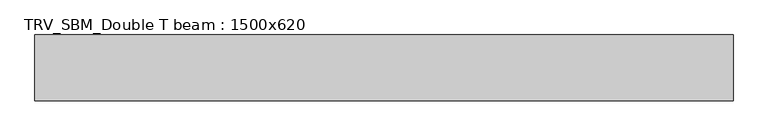
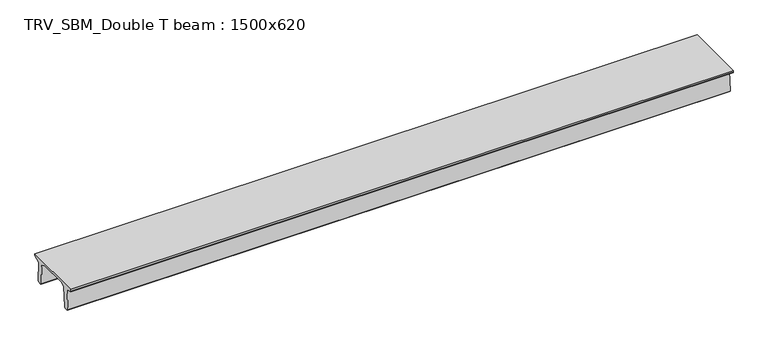
"""IFC4 building model written with IfcOpenShell, lengths in millimetres: beam geometry, TRV_SBM_Double T beam : 1500x620."""

from ifc_helpers import new_model, si_unit, frame, origin, place, context, project, spatial, polyline, outline, extrude, source, transform, mapped, element, save


def trv_sbm_double_t_beam_1500x620_d433787f(model_context):
    return source(origin(), model_context, "Body", "SweptSolid", [
        extrude(outline(polyline([(-765.0, 215.0), (-765.0, 260.0), (735.0, 260.0), (735.0, 215.0), (728.2094488, 201.315559), (578.0626443, 140.6523122), (594.8277662, -339.4379646), (574.2657308, -360.0), (484.2657308, -360.0), (464.786332, -340.5206011), (447.8600761, 144.18395), (338.3237744, 210.0), (-367.4555014, 210.0), (-476.5389732, 151.9992892), (-507.0080378, -339.3850967), (-527.622941, -360.0), (-615.122941, -360.0), (-637.1143055, -338.0086356), (-606.1572167, 162.687806), (-761.3068466, 204.260024), (-765.0, 215.0)])), frame((-7923.0, 0.0, 0.0), z_axis=(1.0, 0.0, 0.0), x_axis=(0.0, 1.0, 0.0)), (0.0, 0.0, 1.0), 15923.0),
    ])


if __name__ == "__main__":
    model = new_model("IFC4")
    model_context = context("Model", 3, world=origin())
    ifc_project = project(units=[si_unit("LENGTHUNIT", "METRE", prefix="MILLI")], contexts=[model_context])
    site = spatial("IfcSite", under=ifc_project)
    building = spatial("IfcBuilding", under=site)
    placement = place(None, origin())
    trv_sbm_double_t_beam_1500x620_shape = trv_sbm_double_t_beam_1500x620_d433787f(model_context)
    element("IfcBeam", 1, ObjectType="TRV_SBM_Double T beam : 1500x620", at=placement, inside=building, context=model_context, shape_type="MappedRepresentation", body=[
        mapped(trv_sbm_double_t_beam_1500x620_shape, transform((0.0, 0.0, 0.0), x_axis=(1.0, 0.0, 0.0), y_axis=(0.0, 1.0, 0.0), z_axis=(0.0, 0.0, 1.0))),
    ])
    save(model, "model.ifc")
